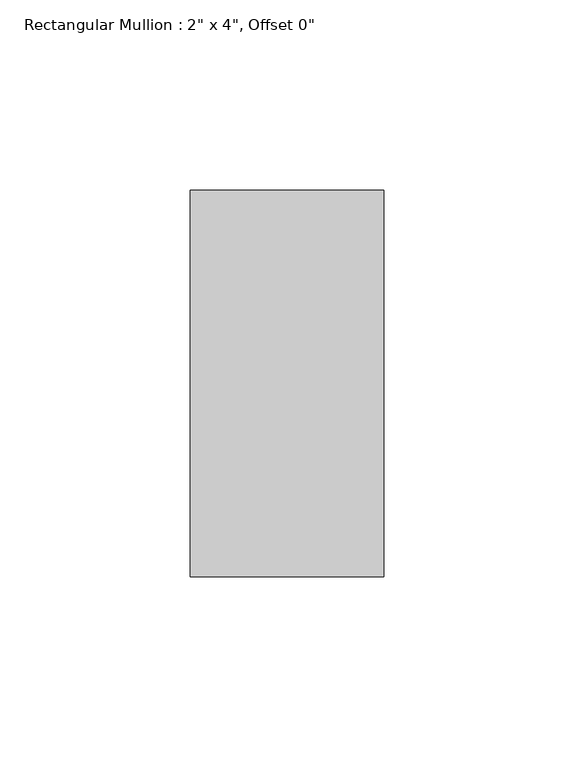
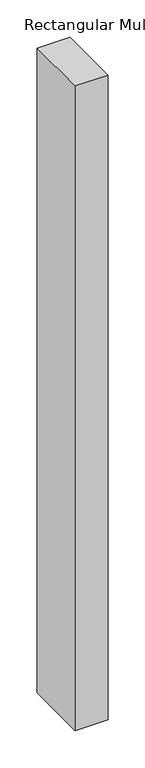
"""IFC4 building model written with IfcOpenShell, lengths in millimetres: member geometry."""

from ifc_helpers import new_model, si_unit, frame, origin, place, context, project, spatial, polyline, outline, extrude, source, transform, mapped, element, save


def member_c0d2bb3c(model_context):
    return source(origin(), model_context, "Body", "SweptSolid", [
        extrude(outline(polyline([(0.0, 50.8), (0.0, -50.8), (-50.8, -50.8), (-50.8, 50.8), (0.0, 50.8)])), frame((0.0, 0.0, -1054.1), z_axis=(0.0, 0.0, 1.0), x_axis=(1.0, 0.0, 0.0)), (0.0, 0.0, 1.0), 1054.1),
    ])


if __name__ == "__main__":
    model = new_model("IFC4")
    model_context = context("Model", 3, world=origin())
    ifc_project = project(units=[si_unit("LENGTHUNIT", "METRE", prefix="MILLI")], contexts=[model_context])
    site = spatial("IfcSite", under=ifc_project)
    building = spatial("IfcBuilding", under=site)
    placement = place(None, origin())
    member_shape = member_c0d2bb3c(model_context)
    element("IfcMember", 1, ObjectType="Rectangular Mullion : 2\" x 4\", Offset 0\"", at=placement, inside=building, context=model_context, shape_type="MappedRepresentation", body=[
        mapped(member_shape, transform((0.0, 0.0, 0.0), x_axis=(1.0, 0.0, 0.0), y_axis=(0.0, 1.0, 0.0), z_axis=(0.0, 0.0, 1.0))),
    ])
    save(model, "model.ifc")
